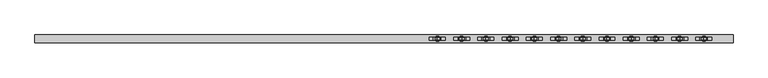
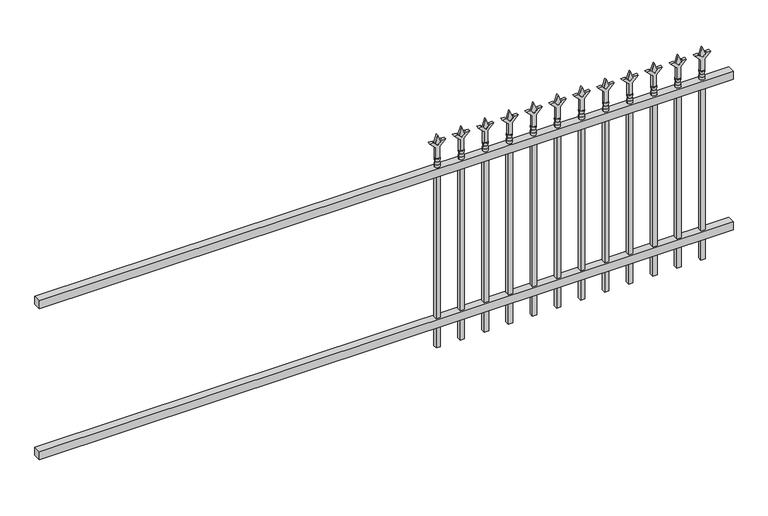
"""IFC4 building model written with IfcOpenShell, lengths in millimetres: railing geometry."""

from ifc_helpers import new_model, si_unit, frame, origin, place, context, project, spatial, polyline, circle_curve, outline, extrude, source, transform, mapped, element, save
from ifc_brep_helpers import plane_surface, cylinder_surface, revolved_surface, advanced_brep


def railing_4641c14b(model_context):
    return source(origin(), model_context, "Body", "SolidModel", [
        extrude(outline(polyline([(-85729.318087, 3004.8804826), (-85729.318087, 3039.8054826), (-82579.718087, 3039.8054826), (-82579.718087, 3004.8804826), (-85729.318087, 3004.8804826)])), frame((0.0, 0.0, 876.3), z_axis=(0.0, 0.0, 1.0), x_axis=(1.0, 0.0, 0.0)), (0.0, 0.0, 1.0), 38.1),
        extrude(outline(polyline([(-85729.318087, 3004.8804826), (-85729.318087, 3039.8054826), (-82579.718087, 3039.8054826), (-82579.718087, 3004.8804826), (-85729.318087, 3004.8804826)])), frame((0.0, 0.0, 152.4), z_axis=(0.0, 0.0, 1.0), x_axis=(1.0, 0.0, 0.0)), (0.0, 0.0, 1.0), 38.1),
        extrude(outline(polyline([(1031.08125, -82808.8472536), (1066.8, -82820.7535036), (1031.08125, -82832.6597536), (1019.175, -82820.7535036), (1031.08125, -82808.8472536)])), frame((0.0, 3017.5804826, 0.0), z_axis=(0.0, 1.0, 0.0), x_axis=(0.0, 0.0, 1.0)), (0.0, 0.0, 1.0), 9.525),
        extrude(outline(polyline([(955.675, -82812.0222536), (1009.9457378, -82812.0222536), (1037.1355122, -82784.8324791), (1037.1355122, -82802.7929914), (1019.175, -82820.7535036), (1037.1355122, -82838.7140159), (1037.1355122, -82856.6745281), (1009.9457378, -82829.4847536), (955.675, -82829.4847536), (955.675, -82812.0222536)])), frame((0.0, 3015.9929826, 0.0), z_axis=(0.0, 1.0, 0.0), x_axis=(0.0, 0.0, 1.0)), (0.0, 0.0, 1.0), 12.7),
        advanced_brep(
        [(-82808.8472536, 3022.3429826, 927.1), (-82832.6597536, 3022.3429826, 927.1), (-82832.6597536, 3022.3429826, 914.4), (-82808.8472536, 3022.3429826, 914.4), (-82811.0525855, 3022.3429826, 939.6070585), (-82830.4544218, 3022.3429826, 939.6070585), (-82808.8472536, 3022.3429826, 955.675), (-82832.6597536, 3022.3429826, 955.675), (-82820.7535036, 3022.3429826, 955.675), (-82820.7535036, 3022.3429826, 914.4)],
        [
            (0, 1, circle_curve(frame((-82820.7535036, 3022.3429826, 927.1), z_axis=(0.0, 0.0, -1.0), x_axis=(-1.0, 0.0, 0.0)), 11.90625)),
            (1, 2),
            (2, 3, circle_curve(frame((-82820.7535036, 3022.3429826, 914.4), z_axis=(0.0, 0.0, 1.0), x_axis=(-1.0, 0.0, 0.0)), 11.90625)),
            (3, 0),
            (1, 0, circle_curve(frame((-82820.7535036, 3022.3429826, 927.1), z_axis=(0.0, 0.0, -1.0), x_axis=(-1.0, 0.0, 0.0)), 11.90625)),
            (3, 2, circle_curve(frame((-82820.7535036, 3022.3429826, 914.4), z_axis=(0.0, 0.0, 1.0), x_axis=(-1.0, 0.0, 0.0)), 11.90625)),
            (4, 5, circle_curve(frame((-82820.7535036, 3022.3429826, 939.6070585), z_axis=(0.0, 0.0, -1.0), x_axis=(-1.0, 0.0, 0.0)), 9.7009181)),
            (5, 1),
            (0, 4),
            (5, 4, circle_curve(frame((-82820.7535036, 3022.3429826, 939.6070585), z_axis=(0.0, 0.0, -1.0), x_axis=(-1.0, 0.0, 0.0)), 9.7009181)),
            (6, 7, circle_curve(frame((-82820.7535036, 3022.3429826, 955.675), z_axis=(0.0, 0.0, -1.0), x_axis=(-1.0, 0.0, 0.0)), 11.90625)),
            (7, 5),
            (4, 6),
            (7, 6, circle_curve(frame((-82820.7535036, 3022.3429826, 955.675), z_axis=(0.0, 0.0, -1.0), x_axis=(-1.0, 0.0, 0.0)), 11.90625)),
            (8, 7),
            (6, 8),
            (2, 9),
            (9, 3),
        ],
        [
            cylinder_surface(frame((-82820.7535036, 3022.3429826, 914.4), z_axis=(0.0, 0.0, 1.0), x_axis=(-1.0, 0.0, 0.0)), 11.90625),
            revolved_surface(polyline([(-82832.6597536, 3022.3429826, 927.1), (-82830.4544218, 3022.3429826, 939.6070585)]), (-82820.7535036, 3022.3429826, 914.4), (0.0, 0.0, 1.0)),
            revolved_surface(polyline([(-82830.4544218, 3022.3429826, 939.6070585), (-82832.6597536, 3022.3429826, 955.675)]), (-82820.7535036, 3022.3429826, 914.4), (0.0, 0.0, 1.0)),
            plane_surface(frame((-82820.7535036, 3022.3429826, 955.675), z_axis=(0.0, 0.0, 1.0), x_axis=(-1.0, 0.0, 0.0))),
            plane_surface(frame((-82820.7535036, 3022.3429826, 914.4), z_axis=(0.0, 0.0, -1.0), x_axis=(-1.0, 0.0, 0.0))),
        ],
        [
            (0, [[1, 2, 3, 4]]),
            (0, [[5, -4, 6, -2]]),
            (1, [[7, 8, -1, 9]]),
            (1, [[10, -9, -5, -8]]),
            (2, [[11, 12, -7, 13]]),
            (2, [[14, -13, -10, -12]]),
            (3, [[15, -11, 16]]),
            (3, [[-16, -14, -15]]),
            (4, [[-3, 17, 18]]),
            (4, [[-6, -18, -17]]),
        ],
    ),
        extrude(outline(polyline([(-82830.2785036, 3031.8679826), (-82811.2285036, 3031.8679826), (-82811.2285036, 3012.8179826), (-82830.2785036, 3012.8179826), (-82830.2785036, 3031.8679826)])), frame((0.0, 0.0, 50.8), z_axis=(0.0, 0.0, 1.0), x_axis=(1.0, 0.0, 0.0)), (0.0, 0.0, 1.0), 863.6),
        extrude(outline(polyline([(1031.08125, -82918.1201703), (1066.8, -82930.0264203), (1031.08125, -82941.9326703), (1019.175, -82930.0264203), (1031.08125, -82918.1201703)])), frame((0.0, 3017.5804826, 0.0), z_axis=(0.0, 1.0, 0.0), x_axis=(0.0, 0.0, 1.0)), (0.0, 0.0, 1.0), 9.525),
        extrude(outline(polyline([(955.675, -82921.2951703), (1009.9457378, -82921.2951703), (1037.1355122, -82894.1053958), (1037.1355122, -82912.0659081), (1019.175, -82930.0264203), (1037.1355122, -82947.9869325), (1037.1355122, -82965.9474448), (1009.9457378, -82938.7576703), (955.675, -82938.7576703), (955.675, -82921.2951703)])), frame((0.0, 3015.9929826, 0.0), z_axis=(0.0, 1.0, 0.0), x_axis=(0.0, 0.0, 1.0)), (0.0, 0.0, 1.0), 12.7),
        advanced_brep(
        [(-82918.1201703, 3022.3429826, 927.1), (-82941.9326703, 3022.3429826, 927.1), (-82941.9326703, 3022.3429826, 914.4), (-82918.1201703, 3022.3429826, 914.4), (-82920.3255022, 3022.3429826, 939.6070585), (-82939.7273384, 3022.3429826, 939.6070585), (-82918.1201703, 3022.3429826, 955.675), (-82941.9326703, 3022.3429826, 955.675), (-82930.0264203, 3022.3429826, 955.675), (-82930.0264203, 3022.3429826, 914.4)],
        [
            (0, 1, circle_curve(frame((-82930.0264203, 3022.3429826, 927.1), z_axis=(0.0, 0.0, -1.0), x_axis=(-1.0, 0.0, 0.0)), 11.90625)),
            (1, 2),
            (2, 3, circle_curve(frame((-82930.0264203, 3022.3429826, 914.4), z_axis=(0.0, 0.0, 1.0), x_axis=(-1.0, 0.0, 0.0)), 11.90625)),
            (3, 0),
            (1, 0, circle_curve(frame((-82930.0264203, 3022.3429826, 927.1), z_axis=(0.0, 0.0, -1.0), x_axis=(-1.0, 0.0, 0.0)), 11.90625)),
            (3, 2, circle_curve(frame((-82930.0264203, 3022.3429826, 914.4), z_axis=(0.0, 0.0, 1.0), x_axis=(-1.0, 0.0, 0.0)), 11.90625)),
            (4, 5, circle_curve(frame((-82930.0264203, 3022.3429826, 939.6070585), z_axis=(0.0, 0.0, -1.0), x_axis=(-1.0, 0.0, 0.0)), 9.7009181)),
            (5, 1),
            (0, 4),
            (5, 4, circle_curve(frame((-82930.0264203, 3022.3429826, 939.6070585), z_axis=(0.0, 0.0, -1.0), x_axis=(-1.0, 0.0, 0.0)), 9.7009181)),
            (6, 7, circle_curve(frame((-82930.0264203, 3022.3429826, 955.675), z_axis=(0.0, 0.0, -1.0), x_axis=(-1.0, 0.0, 0.0)), 11.90625)),
            (7, 5),
            (4, 6),
            (7, 6, circle_curve(frame((-82930.0264203, 3022.3429826, 955.675), z_axis=(0.0, 0.0, -1.0), x_axis=(-1.0, 0.0, 0.0)), 11.90625)),
            (8, 7),
            (6, 8),
            (2, 9),
            (9, 3),
        ],
        [
            cylinder_surface(frame((-82930.0264203, 3022.3429826, 914.4), z_axis=(0.0, 0.0, 1.0), x_axis=(-1.0, 0.0, 0.0)), 11.90625),
            revolved_surface(polyline([(-82941.9326703, 3022.3429826, 927.1), (-82939.7273384, 3022.3429826, 939.6070585)]), (-82930.0264203, 3022.3429826, 914.4), (0.0, 0.0, 1.0)),
            revolved_surface(polyline([(-82939.7273384, 3022.3429826, 939.6070585), (-82941.9326703, 3022.3429826, 955.675)]), (-82930.0264203, 3022.3429826, 914.4), (0.0, 0.0, 1.0)),
            plane_surface(frame((-82930.0264203, 3022.3429826, 955.675), z_axis=(0.0, 0.0, 1.0), x_axis=(-1.0, 0.0, 0.0))),
            plane_surface(frame((-82930.0264203, 3022.3429826, 914.4), z_axis=(0.0, 0.0, -1.0), x_axis=(-1.0, 0.0, 0.0))),
        ],
        [
            (0, [[1, 2, 3, 4]]),
            (0, [[5, -4, 6, -2]]),
            (1, [[7, 8, -1, 9]]),
            (1, [[10, -9, -5, -8]]),
            (2, [[11, 12, -7, 13]]),
            (2, [[14, -13, -10, -12]]),
            (3, [[15, -11, 16]]),
            (3, [[-16, -14, -15]]),
            (4, [[-3, 17, 18]]),
            (4, [[-6, -18, -17]]),
        ],
    ),
        extrude(outline(polyline([(-82939.5514203, 3031.8679826), (-82920.5014203, 3031.8679826), (-82920.5014203, 3012.8179826), (-82939.5514203, 3012.8179826), (-82939.5514203, 3031.8679826)])), frame((0.0, 0.0, 50.8), z_axis=(0.0, 0.0, 1.0), x_axis=(1.0, 0.0, 0.0)), (0.0, 0.0, 1.0), 863.6),
        extrude(outline(polyline([(1031.08125, -83027.393087), (1066.8, -83039.299337), (1031.08125, -83051.205587), (1019.175, -83039.299337), (1031.08125, -83027.393087)])), frame((0.0, 3017.5804826, 0.0), z_axis=(0.0, 1.0, 0.0), x_axis=(0.0, 0.0, 1.0)), (0.0, 0.0, 1.0), 9.525),
        extrude(outline(polyline([(955.675, -83030.568087), (1009.9457378, -83030.568087), (1037.1355122, -83003.3783125), (1037.1355122, -83021.3388247), (1019.175, -83039.299337), (1037.1355122, -83057.2598492), (1037.1355122, -83075.2203614), (1009.9457378, -83048.030587), (955.675, -83048.030587), (955.675, -83030.568087)])), frame((0.0, 3015.9929826, 0.0), z_axis=(0.0, 1.0, 0.0), x_axis=(0.0, 0.0, 1.0)), (0.0, 0.0, 1.0), 12.7),
        advanced_brep(
        [(-83027.393087, 3022.3429826, 927.1), (-83051.205587, 3022.3429826, 927.1), (-83051.205587, 3022.3429826, 914.4), (-83027.393087, 3022.3429826, 914.4), (-83029.5984188, 3022.3429826, 939.6070585), (-83049.0002551, 3022.3429826, 939.6070585), (-83027.393087, 3022.3429826, 955.675), (-83051.205587, 3022.3429826, 955.675), (-83039.299337, 3022.3429826, 955.675), (-83039.299337, 3022.3429826, 914.4)],
        [
            (0, 1, circle_curve(frame((-83039.299337, 3022.3429826, 927.1), z_axis=(0.0, 0.0, -1.0), x_axis=(-1.0, 0.0, 0.0)), 11.90625)),
            (1, 2),
            (2, 3, circle_curve(frame((-83039.299337, 3022.3429826, 914.4), z_axis=(0.0, 0.0, 1.0), x_axis=(-1.0, 0.0, 0.0)), 11.90625)),
            (3, 0),
            (1, 0, circle_curve(frame((-83039.299337, 3022.3429826, 927.1), z_axis=(0.0, 0.0, -1.0), x_axis=(-1.0, 0.0, 0.0)), 11.90625)),
            (3, 2, circle_curve(frame((-83039.299337, 3022.3429826, 914.4), z_axis=(0.0, 0.0, 1.0), x_axis=(-1.0, 0.0, 0.0)), 11.90625)),
            (4, 5, circle_curve(frame((-83039.299337, 3022.3429826, 939.6070585), z_axis=(0.0, 0.0, -1.0), x_axis=(-1.0, 0.0, 0.0)), 9.7009181)),
            (5, 1),
            (0, 4),
            (5, 4, circle_curve(frame((-83039.299337, 3022.3429826, 939.6070585), z_axis=(0.0, 0.0, -1.0), x_axis=(-1.0, 0.0, 0.0)), 9.7009181)),
            (6, 7, circle_curve(frame((-83039.299337, 3022.3429826, 955.675), z_axis=(0.0, 0.0, -1.0), x_axis=(-1.0, 0.0, 0.0)), 11.90625)),
            (7, 5),
            (4, 6),
            (7, 6, circle_curve(frame((-83039.299337, 3022.3429826, 955.675), z_axis=(0.0, 0.0, -1.0), x_axis=(-1.0, 0.0, 0.0)), 11.90625)),
            (8, 7),
            (6, 8),
            (2, 9),
            (9, 3),
        ],
        [
            cylinder_surface(frame((-83039.299337, 3022.3429826, 914.4), z_axis=(0.0, 0.0, 1.0), x_axis=(-1.0, 0.0, 0.0)), 11.90625),
            revolved_surface(polyline([(-83051.205587, 3022.3429826, 927.1), (-83049.0002551, 3022.3429826, 939.6070585)]), (-83039.299337, 3022.3429826, 914.4), (0.0, 0.0, 1.0)),
            revolved_surface(polyline([(-83049.0002551, 3022.3429826, 939.6070585), (-83051.205587, 3022.3429826, 955.675)]), (-83039.299337, 3022.3429826, 914.4), (0.0, 0.0, 1.0)),
            plane_surface(frame((-83039.299337, 3022.3429826, 955.675), z_axis=(0.0, 0.0, 1.0), x_axis=(-1.0, 0.0, 0.0))),
            plane_surface(frame((-83039.299337, 3022.3429826, 914.4), z_axis=(0.0, 0.0, -1.0), x_axis=(-1.0, 0.0, 0.0))),
        ],
        [
            (0, [[1, 2, 3, 4]]),
            (0, [[5, -4, 6, -2]]),
            (1, [[7, 8, -1, 9]]),
            (1, [[10, -9, -5, -8]]),
            (2, [[11, 12, -7, 13]]),
            (2, [[14, -13, -10, -12]]),
            (3, [[15, -11, 16]]),
            (3, [[-16, -14, -15]]),
            (4, [[-3, 17, 18]]),
            (4, [[-6, -18, -17]]),
        ],
    ),
        extrude(outline(polyline([(-83048.824337, 3031.8679826), (-83029.774337, 3031.8679826), (-83029.774337, 3012.8179826), (-83048.824337, 3012.8179826), (-83048.824337, 3031.8679826)])), frame((0.0, 0.0, 50.8), z_axis=(0.0, 0.0, 1.0), x_axis=(1.0, 0.0, 0.0)), (0.0, 0.0, 1.0), 863.6),
        extrude(outline(polyline([(1031.08125, -83136.6660036), (1066.8, -83148.5722536), (1031.08125, -83160.4785036), (1019.175, -83148.5722536), (1031.08125, -83136.6660036)])), frame((0.0, 3017.5804826, 0.0), z_axis=(0.0, 1.0, 0.0), x_axis=(0.0, 0.0, 1.0)), (0.0, 0.0, 1.0), 9.525),
        extrude(outline(polyline([(955.675, -83139.8410036), (1009.9457378, -83139.8410036), (1037.1355122, -83112.6512291), (1037.1355122, -83130.6117414), (1019.175, -83148.5722536), (1037.1355122, -83166.5327659), (1037.1355122, -83184.4932781), (1009.9457378, -83157.3035036), (955.675, -83157.3035036), (955.675, -83139.8410036)])), frame((0.0, 3015.9929826, 0.0), z_axis=(0.0, 1.0, 0.0), x_axis=(0.0, 0.0, 1.0)), (0.0, 0.0, 1.0), 12.7),
        advanced_brep(
        [(-83136.6660036, 3022.3429826, 927.1), (-83160.4785036, 3022.3429826, 927.1), (-83160.4785036, 3022.3429826, 914.4), (-83136.6660036, 3022.3429826, 914.4), (-83138.8713355, 3022.3429826, 939.6070585), (-83158.2731718, 3022.3429826, 939.6070585), (-83136.6660036, 3022.3429826, 955.675), (-83160.4785036, 3022.3429826, 955.675), (-83148.5722536, 3022.3429826, 955.675), (-83148.5722536, 3022.3429826, 914.4)],
        [
            (0, 1, circle_curve(frame((-83148.5722536, 3022.3429826, 927.1), z_axis=(0.0, 0.0, -1.0), x_axis=(-1.0, 0.0, 0.0)), 11.90625)),
            (1, 2),
            (2, 3, circle_curve(frame((-83148.5722536, 3022.3429826, 914.4), z_axis=(0.0, 0.0, 1.0), x_axis=(-1.0, 0.0, 0.0)), 11.90625)),
            (3, 0),
            (1, 0, circle_curve(frame((-83148.5722536, 3022.3429826, 927.1), z_axis=(0.0, 0.0, -1.0), x_axis=(-1.0, 0.0, 0.0)), 11.90625)),
            (3, 2, circle_curve(frame((-83148.5722536, 3022.3429826, 914.4), z_axis=(0.0, 0.0, 1.0), x_axis=(-1.0, 0.0, 0.0)), 11.90625)),
            (4, 5, circle_curve(frame((-83148.5722536, 3022.3429826, 939.6070585), z_axis=(0.0, 0.0, -1.0), x_axis=(-1.0, 0.0, 0.0)), 9.7009181)),
            (5, 1),
            (0, 4),
            (5, 4, circle_curve(frame((-83148.5722536, 3022.3429826, 939.6070585), z_axis=(0.0, 0.0, -1.0), x_axis=(-1.0, 0.0, 0.0)), 9.7009181)),
            (6, 7, circle_curve(frame((-83148.5722536, 3022.3429826, 955.675), z_axis=(0.0, 0.0, -1.0), x_axis=(-1.0, 0.0, 0.0)), 11.90625)),
            (7, 5),
            (4, 6),
            (7, 6, circle_curve(frame((-83148.5722536, 3022.3429826, 955.675), z_axis=(0.0, 0.0, -1.0), x_axis=(-1.0, 0.0, 0.0)), 11.90625)),
            (8, 7),
            (6, 8),
            (2, 9),
            (9, 3),
        ],
        [
            cylinder_surface(frame((-83148.5722536, 3022.3429826, 914.4), z_axis=(0.0, 0.0, 1.0), x_axis=(-1.0, 0.0, 0.0)), 11.90625),
            revolved_surface(polyline([(-83160.4785036, 3022.3429826, 927.1), (-83158.2731718, 3022.3429826, 939.6070585)]), (-83148.5722536, 3022.3429826, 914.4), (0.0, 0.0, 1.0)),
            revolved_surface(polyline([(-83158.2731718, 3022.3429826, 939.6070585), (-83160.4785036, 3022.3429826, 955.675)]), (-83148.5722536, 3022.3429826, 914.4), (0.0, 0.0, 1.0)),
            plane_surface(frame((-83148.5722536, 3022.3429826, 955.675), z_axis=(0.0, 0.0, 1.0), x_axis=(-1.0, 0.0, 0.0))),
            plane_surface(frame((-83148.5722536, 3022.3429826, 914.4), z_axis=(0.0, 0.0, -1.0), x_axis=(-1.0, 0.0, 0.0))),
        ],
        [
            (0, [[1, 2, 3, 4]]),
            (0, [[5, -4, 6, -2]]),
            (1, [[7, 8, -1, 9]]),
            (1, [[10, -9, -5, -8]]),
            (2, [[11, 12, -7, 13]]),
            (2, [[14, -13, -10, -12]]),
            (3, [[15, -11, 16]]),
            (3, [[-16, -14, -15]]),
            (4, [[-3, 17, 18]]),
            (4, [[-6, -18, -17]]),
        ],
    ),
        extrude(outline(polyline([(-83158.0972536, 3031.8679826), (-83139.0472536, 3031.8679826), (-83139.0472536, 3012.8179826), (-83158.0972536, 3012.8179826), (-83158.0972536, 3031.8679826)])), frame((0.0, 0.0, 50.8), z_axis=(0.0, 0.0, 1.0), x_axis=(1.0, 0.0, 0.0)), (0.0, 0.0, 1.0), 863.6),
        extrude(outline(polyline([(1031.08125, -83245.9389203), (1066.8, -83257.8451703), (1031.08125, -83269.7514203), (1019.175, -83257.8451703), (1031.08125, -83245.9389203)])), frame((0.0, 3017.5804826, 0.0), z_axis=(0.0, 1.0, 0.0), x_axis=(0.0, 0.0, 1.0)), (0.0, 0.0, 1.0), 9.525),
        extrude(outline(polyline([(955.675, -83249.1139203), (1009.9457378, -83249.1139203), (1037.1355122, -83221.9241458), (1037.1355122, -83239.8846581), (1019.175, -83257.8451703), (1037.1355122, -83275.8056825), (1037.1355122, -83293.7661948), (1009.9457378, -83266.5764203), (955.675, -83266.5764203), (955.675, -83249.1139203)])), frame((0.0, 3015.9929826, 0.0), z_axis=(0.0, 1.0, 0.0), x_axis=(0.0, 0.0, 1.0)), (0.0, 0.0, 1.0), 12.7),
        advanced_brep(
        [(-83245.9389203, 3022.3429826, 927.1), (-83269.7514203, 3022.3429826, 927.1), (-83269.7514203, 3022.3429826, 914.4), (-83245.9389203, 3022.3429826, 914.4), (-83248.1442522, 3022.3429826, 939.6070585), (-83267.5460884, 3022.3429826, 939.6070585), (-83245.9389203, 3022.3429826, 955.675), (-83269.7514203, 3022.3429826, 955.675), (-83257.8451703, 3022.3429826, 955.675), (-83257.8451703, 3022.3429826, 914.4)],
        [
            (0, 1, circle_curve(frame((-83257.8451703, 3022.3429826, 927.1), z_axis=(0.0, 0.0, -1.0), x_axis=(-1.0, 0.0, 0.0)), 11.90625)),
            (1, 2),
            (2, 3, circle_curve(frame((-83257.8451703, 3022.3429826, 914.4), z_axis=(0.0, 0.0, 1.0), x_axis=(-1.0, 0.0, 0.0)), 11.90625)),
            (3, 0),
            (1, 0, circle_curve(frame((-83257.8451703, 3022.3429826, 927.1), z_axis=(0.0, 0.0, -1.0), x_axis=(-1.0, 0.0, 0.0)), 11.90625)),
            (3, 2, circle_curve(frame((-83257.8451703, 3022.3429826, 914.4), z_axis=(0.0, 0.0, 1.0), x_axis=(-1.0, 0.0, 0.0)), 11.90625)),
            (4, 5, circle_curve(frame((-83257.8451703, 3022.3429826, 939.6070585), z_axis=(0.0, 0.0, -1.0), x_axis=(-1.0, 0.0, 0.0)), 9.7009181)),
            (5, 1),
            (0, 4),
            (5, 4, circle_curve(frame((-83257.8451703, 3022.3429826, 939.6070585), z_axis=(0.0, 0.0, -1.0), x_axis=(-1.0, 0.0, 0.0)), 9.7009181)),
            (6, 7, circle_curve(frame((-83257.8451703, 3022.3429826, 955.675), z_axis=(0.0, 0.0, -1.0), x_axis=(-1.0, 0.0, 0.0)), 11.90625)),
            (7, 5),
            (4, 6),
            (7, 6, circle_curve(frame((-83257.8451703, 3022.3429826, 955.675), z_axis=(0.0, 0.0, -1.0), x_axis=(-1.0, 0.0, 0.0)), 11.90625)),
            (8, 7),
            (6, 8),
            (2, 9),
            (9, 3),
        ],
        [
            cylinder_surface(frame((-83257.8451703, 3022.3429826, 914.4), z_axis=(0.0, 0.0, 1.0), x_axis=(-1.0, 0.0, 0.0)), 11.90625),
            revolved_surface(polyline([(-83269.7514203, 3022.3429826, 927.1), (-83267.5460884, 3022.3429826, 939.6070585)]), (-83257.8451703, 3022.3429826, 914.4), (0.0, 0.0, 1.0)),
            revolved_surface(polyline([(-83267.5460884, 3022.3429826, 939.6070585), (-83269.7514203, 3022.3429826, 955.675)]), (-83257.8451703, 3022.3429826, 914.4), (0.0, 0.0, 1.0)),
            plane_surface(frame((-83257.8451703, 3022.3429826, 955.675), z_axis=(0.0, 0.0, 1.0), x_axis=(-1.0, 0.0, 0.0))),
            plane_surface(frame((-83257.8451703, 3022.3429826, 914.4), z_axis=(0.0, 0.0, -1.0), x_axis=(-1.0, 0.0, 0.0))),
        ],
        [
            (0, [[1, 2, 3, 4]]),
            (0, [[5, -4, 6, -2]]),
            (1, [[7, 8, -1, 9]]),
            (1, [[10, -9, -5, -8]]),
            (2, [[11, 12, -7, 13]]),
            (2, [[14, -13, -10, -12]]),
            (3, [[15, -11, 16]]),
            (3, [[-16, -14, -15]]),
            (4, [[-3, 17, 18]]),
            (4, [[-6, -18, -17]]),
        ],
    ),
        extrude(outline(polyline([(-83267.3701703, 3031.8679826), (-83248.3201703, 3031.8679826), (-83248.3201703, 3012.8179826), (-83267.3701703, 3012.8179826), (-83267.3701703, 3031.8679826)])), frame((0.0, 0.0, 50.8), z_axis=(0.0, 0.0, 1.0), x_axis=(1.0, 0.0, 0.0)), (0.0, 0.0, 1.0), 863.6),
        extrude(outline(polyline([(1031.08125, -83355.211837), (1066.8, -83367.118087), (1031.08125, -83379.024337), (1019.175, -83367.118087), (1031.08125, -83355.211837)])), frame((0.0, 3017.5804826, 0.0), z_axis=(0.0, 1.0, 0.0), x_axis=(0.0, 0.0, 1.0)), (0.0, 0.0, 1.0), 9.525),
        extrude(outline(polyline([(955.675, -83358.386837), (1009.9457378, -83358.386837), (1037.1355122, -83331.1970625), (1037.1355122, -83349.1575747), (1019.175, -83367.118087), (1037.1355122, -83385.0785992), (1037.1355122, -83403.0391114), (1009.9457378, -83375.849337), (955.675, -83375.849337), (955.675, -83358.386837)])), frame((0.0, 3015.9929826, 0.0), z_axis=(0.0, 1.0, 0.0), x_axis=(0.0, 0.0, 1.0)), (0.0, 0.0, 1.0), 12.7),
        advanced_brep(
        [(-83355.211837, 3022.3429826, 927.1), (-83379.024337, 3022.3429826, 927.1), (-83379.024337, 3022.3429826, 914.4), (-83355.211837, 3022.3429826, 914.4), (-83357.4171688, 3022.3429826, 939.6070585), (-83376.8190051, 3022.3429826, 939.6070585), (-83355.211837, 3022.3429826, 955.675), (-83379.024337, 3022.3429826, 955.675), (-83367.118087, 3022.3429826, 955.675), (-83367.118087, 3022.3429826, 914.4)],
        [
            (0, 1, circle_curve(frame((-83367.118087, 3022.3429826, 927.1), z_axis=(0.0, 0.0, -1.0), x_axis=(-1.0, 0.0, 0.0)), 11.90625)),
            (1, 2),
            (2, 3, circle_curve(frame((-83367.118087, 3022.3429826, 914.4), z_axis=(0.0, 0.0, 1.0), x_axis=(-1.0, 0.0, 0.0)), 11.90625)),
            (3, 0),
            (1, 0, circle_curve(frame((-83367.118087, 3022.3429826, 927.1), z_axis=(0.0, 0.0, -1.0), x_axis=(-1.0, 0.0, 0.0)), 11.90625)),
            (3, 2, circle_curve(frame((-83367.118087, 3022.3429826, 914.4), z_axis=(0.0, 0.0, 1.0), x_axis=(-1.0, 0.0, 0.0)), 11.90625)),
            (4, 5, circle_curve(frame((-83367.118087, 3022.3429826, 939.6070585), z_axis=(0.0, 0.0, -1.0), x_axis=(-1.0, 0.0, 0.0)), 9.7009181)),
            (5, 1),
            (0, 4),
            (5, 4, circle_curve(frame((-83367.118087, 3022.3429826, 939.6070585), z_axis=(0.0, 0.0, -1.0), x_axis=(-1.0, 0.0, 0.0)), 9.7009181)),
            (6, 7, circle_curve(frame((-83367.118087, 3022.3429826, 955.675), z_axis=(0.0, 0.0, -1.0), x_axis=(-1.0, 0.0, 0.0)), 11.90625)),
            (7, 5),
            (4, 6),
            (7, 6, circle_curve(frame((-83367.118087, 3022.3429826, 955.675), z_axis=(0.0, 0.0, -1.0), x_axis=(-1.0, 0.0, 0.0)), 11.90625)),
            (8, 7),
            (6, 8),
            (2, 9),
            (9, 3),
        ],
        [
            cylinder_surface(frame((-83367.118087, 3022.3429826, 914.4), z_axis=(0.0, 0.0, 1.0), x_axis=(-1.0, 0.0, 0.0)), 11.90625),
            revolved_surface(polyline([(-83379.024337, 3022.3429826, 927.1), (-83376.8190051, 3022.3429826, 939.6070585)]), (-83367.118087, 3022.3429826, 914.4), (0.0, 0.0, 1.0)),
            revolved_surface(polyline([(-83376.8190051, 3022.3429826, 939.6070585), (-83379.024337, 3022.3429826, 955.675)]), (-83367.118087, 3022.3429826, 914.4), (0.0, 0.0, 1.0)),
            plane_surface(frame((-83367.118087, 3022.3429826, 955.675), z_axis=(0.0, 0.0, 1.0), x_axis=(-1.0, 0.0, 0.0))),
            plane_surface(frame((-83367.118087, 3022.3429826, 914.4), z_axis=(0.0, 0.0, -1.0), x_axis=(-1.0, 0.0, 0.0))),
        ],
        [
            (0, [[1, 2, 3, 4]]),
            (0, [[5, -4, 6, -2]]),
            (1, [[7, 8, -1, 9]]),
            (1, [[10, -9, -5, -8]]),
            (2, [[11, 12, -7, 13]]),
            (2, [[14, -13, -10, -12]]),
            (3, [[15, -11, 16]]),
            (3, [[-16, -14, -15]]),
            (4, [[-3, 17, 18]]),
            (4, [[-6, -18, -17]]),
        ],
    ),
        extrude(outline(polyline([(-83376.643087, 3031.8679826), (-83357.593087, 3031.8679826), (-83357.593087, 3012.8179826), (-83376.643087, 3012.8179826), (-83376.643087, 3031.8679826)])), frame((0.0, 0.0, 50.8), z_axis=(0.0, 0.0, 1.0), x_axis=(1.0, 0.0, 0.0)), (0.0, 0.0, 1.0), 863.6),
        extrude(outline(polyline([(1031.08125, -83464.4847536), (1066.8, -83476.3910036), (1031.08125, -83488.2972536), (1019.175, -83476.3910036), (1031.08125, -83464.4847536)])), frame((0.0, 3017.5804826, 0.0), z_axis=(0.0, 1.0, 0.0), x_axis=(0.0, 0.0, 1.0)), (0.0, 0.0, 1.0), 9.525),
        extrude(outline(polyline([(955.675, -83467.6597536), (1009.9457378, -83467.6597536), (1037.1355122, -83440.4699791), (1037.1355122, -83458.4304914), (1019.175, -83476.3910036), (1037.1355122, -83494.3515159), (1037.1355122, -83512.3120281), (1009.9457378, -83485.1222536), (955.675, -83485.1222536), (955.675, -83467.6597536)])), frame((0.0, 3015.9929826, 0.0), z_axis=(0.0, 1.0, 0.0), x_axis=(0.0, 0.0, 1.0)), (0.0, 0.0, 1.0), 12.7),
        advanced_brep(
        [(-83464.4847536, 3022.3429826, 927.1), (-83488.2972536, 3022.3429826, 927.1), (-83488.2972536, 3022.3429826, 914.4), (-83464.4847536, 3022.3429826, 914.4), (-83466.6900855, 3022.3429826, 939.6070585), (-83486.0919218, 3022.3429826, 939.6070585), (-83464.4847536, 3022.3429826, 955.675), (-83488.2972536, 3022.3429826, 955.675), (-83476.3910036, 3022.3429826, 955.675), (-83476.3910036, 3022.3429826, 914.4)],
        [
            (0, 1, circle_curve(frame((-83476.3910036, 3022.3429826, 927.1), z_axis=(0.0, 0.0, -1.0), x_axis=(-1.0, 0.0, 0.0)), 11.90625)),
            (1, 2),
            (2, 3, circle_curve(frame((-83476.3910036, 3022.3429826, 914.4), z_axis=(0.0, 0.0, 1.0), x_axis=(-1.0, 0.0, 0.0)), 11.90625)),
            (3, 0),
            (1, 0, circle_curve(frame((-83476.3910036, 3022.3429826, 927.1), z_axis=(0.0, 0.0, -1.0), x_axis=(-1.0, 0.0, 0.0)), 11.90625)),
            (3, 2, circle_curve(frame((-83476.3910036, 3022.3429826, 914.4), z_axis=(0.0, 0.0, 1.0), x_axis=(-1.0, 0.0, 0.0)), 11.90625)),
            (4, 5, circle_curve(frame((-83476.3910036, 3022.3429826, 939.6070585), z_axis=(0.0, 0.0, -1.0), x_axis=(-1.0, 0.0, 0.0)), 9.7009181)),
            (5, 1),
            (0, 4),
            (5, 4, circle_curve(frame((-83476.3910036, 3022.3429826, 939.6070585), z_axis=(0.0, 0.0, -1.0), x_axis=(-1.0, 0.0, 0.0)), 9.7009181)),
            (6, 7, circle_curve(frame((-83476.3910036, 3022.3429826, 955.675), z_axis=(0.0, 0.0, -1.0), x_axis=(-1.0, 0.0, 0.0)), 11.90625)),
            (7, 5),
            (4, 6),
            (7, 6, circle_curve(frame((-83476.3910036, 3022.3429826, 955.675), z_axis=(0.0, 0.0, -1.0), x_axis=(-1.0, 0.0, 0.0)), 11.90625)),
            (8, 7),
            (6, 8),
            (2, 9),
            (9, 3),
        ],
        [
            cylinder_surface(frame((-83476.3910036, 3022.3429826, 914.4), z_axis=(0.0, 0.0, 1.0), x_axis=(-1.0, 0.0, 0.0)), 11.90625),
            revolved_surface(polyline([(-83488.2972536, 3022.3429826, 927.1), (-83486.0919218, 3022.3429826, 939.6070585)]), (-83476.3910036, 3022.3429826, 914.4), (0.0, 0.0, 1.0)),
            revolved_surface(polyline([(-83486.0919218, 3022.3429826, 939.6070585), (-83488.2972536, 3022.3429826, 955.675)]), (-83476.3910036, 3022.3429826, 914.4), (0.0, 0.0, 1.0)),
            plane_surface(frame((-83476.3910036, 3022.3429826, 955.675), z_axis=(0.0, 0.0, 1.0), x_axis=(-1.0, 0.0, 0.0))),
            plane_surface(frame((-83476.3910036, 3022.3429826, 914.4), z_axis=(0.0, 0.0, -1.0), x_axis=(-1.0, 0.0, 0.0))),
        ],
        [
            (0, [[1, 2, 3, 4]]),
            (0, [[5, -4, 6, -2]]),
            (1, [[7, 8, -1, 9]]),
            (1, [[10, -9, -5, -8]]),
            (2, [[11, 12, -7, 13]]),
            (2, [[14, -13, -10, -12]]),
            (3, [[15, -11, 16]]),
            (3, [[-16, -14, -15]]),
            (4, [[-3, 17, 18]]),
            (4, [[-6, -18, -17]]),
        ],
    ),
        extrude(outline(polyline([(-83485.9160036, 3031.8679826), (-83466.8660036, 3031.8679826), (-83466.8660036, 3012.8179826), (-83485.9160036, 3012.8179826), (-83485.9160036, 3031.8679826)])), frame((0.0, 0.0, 50.8), z_axis=(0.0, 0.0, 1.0), x_axis=(1.0, 0.0, 0.0)), (0.0, 0.0, 1.0), 863.6),
        extrude(outline(polyline([(1031.08125, -83573.7576703), (1066.8, -83585.6639203), (1031.08125, -83597.5701703), (1019.175, -83585.6639203), (1031.08125, -83573.7576703)])), frame((0.0, 3017.5804826, 0.0), z_axis=(0.0, 1.0, 0.0), x_axis=(0.0, 0.0, 1.0)), (0.0, 0.0, 1.0), 9.525),
        extrude(outline(polyline([(955.675, -83576.9326703), (1009.9457378, -83576.9326703), (1037.1355122, -83549.7428958), (1037.1355122, -83567.7034081), (1019.175, -83585.6639203), (1037.1355122, -83603.6244325), (1037.1355122, -83621.5849448), (1009.9457378, -83594.3951703), (955.675, -83594.3951703), (955.675, -83576.9326703)])), frame((0.0, 3015.9929826, 0.0), z_axis=(0.0, 1.0, 0.0), x_axis=(0.0, 0.0, 1.0)), (0.0, 0.0, 1.0), 12.7),
        advanced_brep(
        [(-83573.7576703, 3022.3429826, 927.1), (-83597.5701703, 3022.3429826, 927.1), (-83597.5701703, 3022.3429826, 914.4), (-83573.7576703, 3022.3429826, 914.4), (-83575.9630022, 3022.3429826, 939.6070585), (-83595.3648384, 3022.3429826, 939.6070585), (-83573.7576703, 3022.3429826, 955.675), (-83597.5701703, 3022.3429826, 955.675), (-83585.6639203, 3022.3429826, 955.675), (-83585.6639203, 3022.3429826, 914.4)],
        [
            (0, 1, circle_curve(frame((-83585.6639203, 3022.3429826, 927.1), z_axis=(0.0, 0.0, -1.0), x_axis=(-1.0, 0.0, 0.0)), 11.90625)),
            (1, 2),
            (2, 3, circle_curve(frame((-83585.6639203, 3022.3429826, 914.4), z_axis=(0.0, 0.0, 1.0), x_axis=(-1.0, 0.0, 0.0)), 11.90625)),
            (3, 0),
            (1, 0, circle_curve(frame((-83585.6639203, 3022.3429826, 927.1), z_axis=(0.0, 0.0, -1.0), x_axis=(-1.0, 0.0, 0.0)), 11.90625)),
            (3, 2, circle_curve(frame((-83585.6639203, 3022.3429826, 914.4), z_axis=(0.0, 0.0, 1.0), x_axis=(-1.0, 0.0, 0.0)), 11.90625)),
            (4, 5, circle_curve(frame((-83585.6639203, 3022.3429826, 939.6070585), z_axis=(0.0, 0.0, -1.0), x_axis=(-1.0, 0.0, 0.0)), 9.7009181)),
            (5, 1),
            (0, 4),
            (5, 4, circle_curve(frame((-83585.6639203, 3022.3429826, 939.6070585), z_axis=(0.0, 0.0, -1.0), x_axis=(-1.0, 0.0, 0.0)), 9.7009181)),
            (6, 7, circle_curve(frame((-83585.6639203, 3022.3429826, 955.675), z_axis=(0.0, 0.0, -1.0), x_axis=(-1.0, 0.0, 0.0)), 11.90625)),
            (7, 5),
            (4, 6),
            (7, 6, circle_curve(frame((-83585.6639203, 3022.3429826, 955.675), z_axis=(0.0, 0.0, -1.0), x_axis=(-1.0, 0.0, 0.0)), 11.90625)),
            (8, 7),
            (6, 8),
            (2, 9),
            (9, 3),
        ],
        [
            cylinder_surface(frame((-83585.6639203, 3022.3429826, 914.4), z_axis=(0.0, 0.0, 1.0), x_axis=(-1.0, 0.0, 0.0)), 11.90625),
            revolved_surface(polyline([(-83597.5701703, 3022.3429826, 927.1), (-83595.3648384, 3022.3429826, 939.6070585)]), (-83585.6639203, 3022.3429826, 914.4), (0.0, 0.0, 1.0)),
            revolved_surface(polyline([(-83595.3648384, 3022.3429826, 939.6070585), (-83597.5701703, 3022.3429826, 955.675)]), (-83585.6639203, 3022.3429826, 914.4), (0.0, 0.0, 1.0)),
            plane_surface(frame((-83585.6639203, 3022.3429826, 955.675), z_axis=(0.0, 0.0, 1.0), x_axis=(-1.0, 0.0, 0.0))),
            plane_surface(frame((-83585.6639203, 3022.3429826, 914.4), z_axis=(0.0, 0.0, -1.0), x_axis=(-1.0, 0.0, 0.0))),
        ],
        [
            (0, [[1, 2, 3, 4]]),
            (0, [[5, -4, 6, -2]]),
            (1, [[7, 8, -1, 9]]),
            (1, [[10, -9, -5, -8]]),
            (2, [[11, 12, -7, 13]]),
            (2, [[14, -13, -10, -12]]),
            (3, [[15, -11, 16]]),
            (3, [[-16, -14, -15]]),
            (4, [[-3, 17, 18]]),
            (4, [[-6, -18, -17]]),
        ],
    ),
        extrude(outline(polyline([(-83595.1889203, 3031.8679826), (-83576.1389203, 3031.8679826), (-83576.1389203, 3012.8179826), (-83595.1889203, 3012.8179826), (-83595.1889203, 3031.8679826)])), frame((0.0, 0.0, 50.8), z_axis=(0.0, 0.0, 1.0), x_axis=(1.0, 0.0, 0.0)), (0.0, 0.0, 1.0), 863.6),
        extrude(outline(polyline([(1031.08125, -83683.030587), (1066.8, -83694.936837), (1031.08125, -83706.843087), (1019.175, -83694.936837), (1031.08125, -83683.030587)])), frame((0.0, 3017.5804826, 0.0), z_axis=(0.0, 1.0, 0.0), x_axis=(0.0, 0.0, 1.0)), (0.0, 0.0, 1.0), 9.525),
        extrude(outline(polyline([(955.675, -83686.205587), (1009.9457378, -83686.205587), (1037.1355122, -83659.0158125), (1037.1355122, -83676.9763247), (1019.175, -83694.936837), (1037.1355122, -83712.8973492), (1037.1355122, -83730.8578614), (1009.9457378, -83703.668087), (955.675, -83703.668087), (955.675, -83686.205587)])), frame((0.0, 3015.9929826, 0.0), z_axis=(0.0, 1.0, 0.0), x_axis=(0.0, 0.0, 1.0)), (0.0, 0.0, 1.0), 12.7),
        advanced_brep(
        [(-83683.030587, 3022.3429826, 927.1), (-83706.843087, 3022.3429826, 927.1), (-83706.843087, 3022.3429826, 914.4), (-83683.030587, 3022.3429826, 914.4), (-83685.2359188, 3022.3429826, 939.6070585), (-83704.6377551, 3022.3429826, 939.6070585), (-83683.030587, 3022.3429826, 955.675), (-83706.843087, 3022.3429826, 955.675), (-83694.936837, 3022.3429826, 955.675), (-83694.936837, 3022.3429826, 914.4)],
        [
            (0, 1, circle_curve(frame((-83694.936837, 3022.3429826, 927.1), z_axis=(0.0, 0.0, -1.0), x_axis=(-1.0, 0.0, 0.0)), 11.90625)),
            (1, 2),
            (2, 3, circle_curve(frame((-83694.936837, 3022.3429826, 914.4), z_axis=(0.0, 0.0, 1.0), x_axis=(-1.0, 0.0, 0.0)), 11.90625)),
            (3, 0),
            (1, 0, circle_curve(frame((-83694.936837, 3022.3429826, 927.1), z_axis=(0.0, 0.0, -1.0), x_axis=(-1.0, 0.0, 0.0)), 11.90625)),
            (3, 2, circle_curve(frame((-83694.936837, 3022.3429826, 914.4), z_axis=(0.0, 0.0, 1.0), x_axis=(-1.0, 0.0, 0.0)), 11.90625)),
            (4, 5, circle_curve(frame((-83694.936837, 3022.3429826, 939.6070585), z_axis=(0.0, 0.0, -1.0), x_axis=(-1.0, 0.0, 0.0)), 9.7009181)),
            (5, 1),
            (0, 4),
            (5, 4, circle_curve(frame((-83694.936837, 3022.3429826, 939.6070585), z_axis=(0.0, 0.0, -1.0), x_axis=(-1.0, 0.0, 0.0)), 9.7009181)),
            (6, 7, circle_curve(frame((-83694.936837, 3022.3429826, 955.675), z_axis=(0.0, 0.0, -1.0), x_axis=(-1.0, 0.0, 0.0)), 11.90625)),
            (7, 5),
            (4, 6),
            (7, 6, circle_curve(frame((-83694.936837, 3022.3429826, 955.675), z_axis=(0.0, 0.0, -1.0), x_axis=(-1.0, 0.0, 0.0)), 11.90625)),
            (8, 7),
            (6, 8),
            (2, 9),
            (9, 3),
        ],
        [
            cylinder_surface(frame((-83694.936837, 3022.3429826, 914.4), z_axis=(0.0, 0.0, 1.0), x_axis=(-1.0, 0.0, 0.0)), 11.90625),
            revolved_surface(polyline([(-83706.843087, 3022.3429826, 927.1), (-83704.6377551, 3022.3429826, 939.6070585)]), (-83694.936837, 3022.3429826, 914.4), (0.0, 0.0, 1.0)),
            revolved_surface(polyline([(-83704.6377551, 3022.3429826, 939.6070585), (-83706.843087, 3022.3429826, 955.675)]), (-83694.936837, 3022.3429826, 914.4), (0.0, 0.0, 1.0)),
            plane_surface(frame((-83694.936837, 3022.3429826, 955.675), z_axis=(0.0, 0.0, 1.0), x_axis=(-1.0, 0.0, 0.0))),
            plane_surface(frame((-83694.936837, 3022.3429826, 914.4), z_axis=(0.0, 0.0, -1.0), x_axis=(-1.0, 0.0, 0.0))),
        ],
        [
            (0, [[1, 2, 3, 4]]),
            (0, [[5, -4, 6, -2]]),
            (1, [[7, 8, -1, 9]]),
            (1, [[10, -9, -5, -8]]),
            (2, [[11, 12, -7, 13]]),
            (2, [[14, -13, -10, -12]]),
            (3, [[15, -11, 16]]),
            (3, [[-16, -14, -15]]),
            (4, [[-3, 17, 18]]),
            (4, [[-6, -18, -17]]),
        ],
    ),
        extrude(outline(polyline([(-83704.461837, 3031.8679826), (-83685.411837, 3031.8679826), (-83685.411837, 3012.8179826), (-83704.461837, 3012.8179826), (-83704.461837, 3031.8679826)])), frame((0.0, 0.0, 50.8), z_axis=(0.0, 0.0, 1.0), x_axis=(1.0, 0.0, 0.0)), (0.0, 0.0, 1.0), 863.6),
        extrude(outline(polyline([(1031.08125, -83792.3035036), (1066.8, -83804.2097536), (1031.08125, -83816.1160036), (1019.175, -83804.2097536), (1031.08125, -83792.3035036)])), frame((0.0, 3017.5804826, 0.0), z_axis=(0.0, 1.0, 0.0), x_axis=(0.0, 0.0, 1.0)), (0.0, 0.0, 1.0), 9.525),
        extrude(outline(polyline([(955.675, -83795.4785036), (1009.9457378, -83795.4785036), (1037.1355122, -83768.2887291), (1037.1355122, -83786.2492414), (1019.175, -83804.2097536), (1037.1355122, -83822.1702659), (1037.1355122, -83840.1307781), (1009.9457378, -83812.9410036), (955.675, -83812.9410036), (955.675, -83795.4785036)])), frame((0.0, 3015.9929826, 0.0), z_axis=(0.0, 1.0, 0.0), x_axis=(0.0, 0.0, 1.0)), (0.0, 0.0, 1.0), 12.7),
        advanced_brep(
        [(-83792.3035036, 3022.3429826, 927.1), (-83816.1160036, 3022.3429826, 927.1), (-83816.1160036, 3022.3429826, 914.4), (-83792.3035036, 3022.3429826, 914.4), (-83794.5088355, 3022.3429826, 939.6070585), (-83813.9106718, 3022.3429826, 939.6070585), (-83792.3035036, 3022.3429826, 955.675), (-83816.1160036, 3022.3429826, 955.675), (-83804.2097536, 3022.3429826, 955.675), (-83804.2097536, 3022.3429826, 914.4)],
        [
            (0, 1, circle_curve(frame((-83804.2097536, 3022.3429826, 927.1), z_axis=(0.0, 0.0, -1.0), x_axis=(-1.0, 0.0, 0.0)), 11.90625)),
            (1, 2),
            (2, 3, circle_curve(frame((-83804.2097536, 3022.3429826, 914.4), z_axis=(0.0, 0.0, 1.0), x_axis=(-1.0, 0.0, 0.0)), 11.90625)),
            (3, 0),
            (1, 0, circle_curve(frame((-83804.2097536, 3022.3429826, 927.1), z_axis=(0.0, 0.0, -1.0), x_axis=(-1.0, 0.0, 0.0)), 11.90625)),
            (3, 2, circle_curve(frame((-83804.2097536, 3022.3429826, 914.4), z_axis=(0.0, 0.0, 1.0), x_axis=(-1.0, 0.0, 0.0)), 11.90625)),
            (4, 5, circle_curve(frame((-83804.2097536, 3022.3429826, 939.6070585), z_axis=(0.0, 0.0, -1.0), x_axis=(-1.0, 0.0, 0.0)), 9.7009181)),
            (5, 1),
            (0, 4),
            (5, 4, circle_curve(frame((-83804.2097536, 3022.3429826, 939.6070585), z_axis=(0.0, 0.0, -1.0), x_axis=(-1.0, 0.0, 0.0)), 9.7009181)),
            (6, 7, circle_curve(frame((-83804.2097536, 3022.3429826, 955.675), z_axis=(0.0, 0.0, -1.0), x_axis=(-1.0, 0.0, 0.0)), 11.90625)),
            (7, 5),
            (4, 6),
            (7, 6, circle_curve(frame((-83804.2097536, 3022.3429826, 955.675), z_axis=(0.0, 0.0, -1.0), x_axis=(-1.0, 0.0, 0.0)), 11.90625)),
            (8, 7),
            (6, 8),
            (2, 9),
            (9, 3),
        ],
        [
            cylinder_surface(frame((-83804.2097536, 3022.3429826, 914.4), z_axis=(0.0, 0.0, 1.0), x_axis=(-1.0, 0.0, 0.0)), 11.90625),
            revolved_surface(polyline([(-83816.1160036, 3022.3429826, 927.1), (-83813.9106718, 3022.3429826, 939.6070585)]), (-83804.2097536, 3022.3429826, 914.4), (0.0, 0.0, 1.0)),
            revolved_surface(polyline([(-83813.9106718, 3022.3429826, 939.6070585), (-83816.1160036, 3022.3429826, 955.675)]), (-83804.2097536, 3022.3429826, 914.4), (0.0, 0.0, 1.0)),
            plane_surface(frame((-83804.2097536, 3022.3429826, 955.675), z_axis=(0.0, 0.0, 1.0), x_axis=(-1.0, 0.0, 0.0))),
            plane_surface(frame((-83804.2097536, 3022.3429826, 914.4), z_axis=(0.0, 0.0, -1.0), x_axis=(-1.0, 0.0, 0.0))),
        ],
        [
            (0, [[1, 2, 3, 4]]),
            (0, [[5, -4, 6, -2]]),
            (1, [[7, 8, -1, 9]]),
            (1, [[10, -9, -5, -8]]),
            (2, [[11, 12, -7, 13]]),
            (2, [[14, -13, -10, -12]]),
            (3, [[15, -11, 16]]),
            (3, [[-16, -14, -15]]),
            (4, [[-3, 17, 18]]),
            (4, [[-6, -18, -17]]),
        ],
    ),
        extrude(outline(polyline([(-83813.7347536, 3031.8679826), (-83794.6847536, 3031.8679826), (-83794.6847536, 3012.8179826), (-83813.7347536, 3012.8179826), (-83813.7347536, 3031.8679826)])), frame((0.0, 0.0, 50.8), z_axis=(0.0, 0.0, 1.0), x_axis=(1.0, 0.0, 0.0)), (0.0, 0.0, 1.0), 863.6),
        extrude(outline(polyline([(1031.08125, -83901.5764203), (1066.8, -83913.4826703), (1031.08125, -83925.3889203), (1019.175, -83913.4826703), (1031.08125, -83901.5764203)])), frame((0.0, 3017.5804826, 0.0), z_axis=(0.0, 1.0, 0.0), x_axis=(0.0, 0.0, 1.0)), (0.0, 0.0, 1.0), 9.525),
        extrude(outline(polyline([(955.675, -83904.7514203), (1009.9457378, -83904.7514203), (1037.1355122, -83877.5616458), (1037.1355122, -83895.5221581), (1019.175, -83913.4826703), (1037.1355122, -83931.4431825), (1037.1355122, -83949.4036948), (1009.9457378, -83922.2139203), (955.675, -83922.2139203), (955.675, -83904.7514203)])), frame((0.0, 3015.9929826, 0.0), z_axis=(0.0, 1.0, 0.0), x_axis=(0.0, 0.0, 1.0)), (0.0, 0.0, 1.0), 12.7),
        advanced_brep(
        [(-83901.5764203, 3022.3429826, 927.1), (-83925.3889203, 3022.3429826, 927.1), (-83925.3889203, 3022.3429826, 914.4), (-83901.5764203, 3022.3429826, 914.4), (-83903.7817522, 3022.3429826, 939.6070585), (-83923.1835884, 3022.3429826, 939.6070585), (-83901.5764203, 3022.3429826, 955.675), (-83925.3889203, 3022.3429826, 955.675), (-83913.4826703, 3022.3429826, 955.675), (-83913.4826703, 3022.3429826, 914.4)],
        [
            (0, 1, circle_curve(frame((-83913.4826703, 3022.3429826, 927.1), z_axis=(0.0, 0.0, -1.0), x_axis=(-1.0, 0.0, 0.0)), 11.90625)),
            (1, 2),
            (2, 3, circle_curve(frame((-83913.4826703, 3022.3429826, 914.4), z_axis=(0.0, 0.0, 1.0), x_axis=(-1.0, 0.0, 0.0)), 11.90625)),
            (3, 0),
            (1, 0, circle_curve(frame((-83913.4826703, 3022.3429826, 927.1), z_axis=(0.0, 0.0, -1.0), x_axis=(-1.0, 0.0, 0.0)), 11.90625)),
            (3, 2, circle_curve(frame((-83913.4826703, 3022.3429826, 914.4), z_axis=(0.0, 0.0, 1.0), x_axis=(-1.0, 0.0, 0.0)), 11.90625)),
            (4, 5, circle_curve(frame((-83913.4826703, 3022.3429826, 939.6070585), z_axis=(0.0, 0.0, -1.0), x_axis=(-1.0, 0.0, 0.0)), 9.7009181)),
            (5, 1),
            (0, 4),
            (5, 4, circle_curve(frame((-83913.4826703, 3022.3429826, 939.6070585), z_axis=(0.0, 0.0, -1.0), x_axis=(-1.0, 0.0, 0.0)), 9.7009181)),
            (6, 7, circle_curve(frame((-83913.4826703, 3022.3429826, 955.675), z_axis=(0.0, 0.0, -1.0), x_axis=(-1.0, 0.0, 0.0)), 11.90625)),
            (7, 5),
            (4, 6),
            (7, 6, circle_curve(frame((-83913.4826703, 3022.3429826, 955.675), z_axis=(0.0, 0.0, -1.0), x_axis=(-1.0, 0.0, 0.0)), 11.90625)),
            (8, 7),
            (6, 8),
            (2, 9),
            (9, 3),
        ],
        [
            cylinder_surface(frame((-83913.4826703, 3022.3429826, 914.4), z_axis=(0.0, 0.0, 1.0), x_axis=(-1.0, 0.0, 0.0)), 11.90625),
            revolved_surface(polyline([(-83925.3889203, 3022.3429826, 927.1), (-83923.1835884, 3022.3429826, 939.6070585)]), (-83913.4826703, 3022.3429826, 914.4), (0.0, 0.0, 1.0)),
            revolved_surface(polyline([(-83923.1835884, 3022.3429826, 939.6070585), (-83925.3889203, 3022.3429826, 955.675)]), (-83913.4826703, 3022.3429826, 914.4), (0.0, 0.0, 1.0)),
            plane_surface(frame((-83913.4826703, 3022.3429826, 955.675), z_axis=(0.0, 0.0, 1.0), x_axis=(-1.0, 0.0, 0.0))),
            plane_surface(frame((-83913.4826703, 3022.3429826, 914.4), z_axis=(0.0, 0.0, -1.0), x_axis=(-1.0, 0.0, 0.0))),
        ],
        [
            (0, [[1, 2, 3, 4]]),
            (0, [[5, -4, 6, -2]]),
            (1, [[7, 8, -1, 9]]),
            (1, [[10, -9, -5, -8]]),
            (2, [[11, 12, -7, 13]]),
            (2, [[14, -13, -10, -12]]),
            (3, [[15, -11, 16]]),
            (3, [[-16, -14, -15]]),
            (4, [[-3, 17, 18]]),
            (4, [[-6, -18, -17]]),
        ],
    ),
        extrude(outline(polyline([(-83923.0076703, 3031.8679826), (-83903.9576703, 3031.8679826), (-83903.9576703, 3012.8179826), (-83923.0076703, 3012.8179826), (-83923.0076703, 3031.8679826)])), frame((0.0, 0.0, 50.8), z_axis=(0.0, 0.0, 1.0), x_axis=(1.0, 0.0, 0.0)), (0.0, 0.0, 1.0), 863.6),
        extrude(outline(polyline([(1031.08125, -82699.574337), (1066.8, -82711.480587), (1031.08125, -82723.386837), (1019.175, -82711.480587), (1031.08125, -82699.574337)])), frame((0.0, 3017.5804826, 0.0), z_axis=(0.0, 1.0, 0.0), x_axis=(0.0, 0.0, 1.0)), (0.0, 0.0, 1.0), 9.525),
        extrude(outline(polyline([(955.675, -82702.749337), (1009.9457378, -82702.749337), (1037.1355122, -82675.5595625), (1037.1355122, -82693.5200747), (1019.175, -82711.480587), (1037.1355122, -82729.4410992), (1037.1355122, -82747.4016114), (1009.9457378, -82720.211837), (955.675, -82720.211837), (955.675, -82702.749337)])), frame((0.0, 3015.9929826, 0.0), z_axis=(0.0, 1.0, 0.0), x_axis=(0.0, 0.0, 1.0)), (0.0, 0.0, 1.0), 12.7),
        advanced_brep(
        [(-82699.574337, 3022.3429826, 927.1), (-82723.386837, 3022.3429826, 927.1), (-82723.386837, 3022.3429826, 914.4), (-82699.574337, 3022.3429826, 914.4), (-82701.7796688, 3022.3429826, 939.6070585), (-82721.1815051, 3022.3429826, 939.6070585), (-82699.574337, 3022.3429826, 955.675), (-82723.386837, 3022.3429826, 955.675), (-82711.480587, 3022.3429826, 955.675), (-82711.480587, 3022.3429826, 914.4)],
        [
            (0, 1, circle_curve(frame((-82711.480587, 3022.3429826, 927.1), z_axis=(0.0, 0.0, -1.0), x_axis=(-1.0, 0.0, 0.0)), 11.90625)),
            (1, 2),
            (2, 3, circle_curve(frame((-82711.480587, 3022.3429826, 914.4), z_axis=(0.0, 0.0, 1.0), x_axis=(-1.0, 0.0, 0.0)), 11.90625)),
            (3, 0),
            (1, 0, circle_curve(frame((-82711.480587, 3022.3429826, 927.1), z_axis=(0.0, 0.0, -1.0), x_axis=(-1.0, 0.0, 0.0)), 11.90625)),
            (3, 2, circle_curve(frame((-82711.480587, 3022.3429826, 914.4), z_axis=(0.0, 0.0, 1.0), x_axis=(-1.0, 0.0, 0.0)), 11.90625)),
            (4, 5, circle_curve(frame((-82711.480587, 3022.3429826, 939.6070585), z_axis=(0.0, 0.0, -1.0), x_axis=(-1.0, 0.0, 0.0)), 9.7009181)),
            (5, 1),
            (0, 4),
            (5, 4, circle_curve(frame((-82711.480587, 3022.3429826, 939.6070585), z_axis=(0.0, 0.0, -1.0), x_axis=(-1.0, 0.0, 0.0)), 9.7009181)),
            (6, 7, circle_curve(frame((-82711.480587, 3022.3429826, 955.675), z_axis=(0.0, 0.0, -1.0), x_axis=(-1.0, 0.0, 0.0)), 11.90625)),
            (7, 5),
            (4, 6),
            (7, 6, circle_curve(frame((-82711.480587, 3022.3429826, 955.675), z_axis=(0.0, 0.0, -1.0), x_axis=(-1.0, 0.0, 0.0)), 11.90625)),
            (8, 7),
            (6, 8),
            (2, 9),
            (9, 3),
        ],
        [
            cylinder_surface(frame((-82711.480587, 3022.3429826, 914.4), z_axis=(0.0, 0.0, 1.0), x_axis=(-1.0, 0.0, 0.0)), 11.90625),
            revolved_surface(polyline([(-82723.386837, 3022.3429826, 927.1), (-82721.1815051, 3022.3429826, 939.6070585)]), (-82711.480587, 3022.3429826, 914.4), (0.0, 0.0, 1.0)),
            revolved_surface(polyline([(-82721.1815051, 3022.3429826, 939.6070585), (-82723.386837, 3022.3429826, 955.675)]), (-82711.480587, 3022.3429826, 914.4), (0.0, 0.0, 1.0)),
            plane_surface(frame((-82711.480587, 3022.3429826, 955.675), z_axis=(0.0, 0.0, 1.0), x_axis=(-1.0, 0.0, 0.0))),
            plane_surface(frame((-82711.480587, 3022.3429826, 914.4), z_axis=(0.0, 0.0, -1.0), x_axis=(-1.0, 0.0, 0.0))),
        ],
        [
            (0, [[1, 2, 3, 4]]),
            (0, [[5, -4, 6, -2]]),
            (1, [[7, 8, -1, 9]]),
            (1, [[10, -9, -5, -8]]),
            (2, [[11, 12, -7, 13]]),
            (2, [[14, -13, -10, -12]]),
            (3, [[15, -11, 16]]),
            (3, [[-16, -14, -15]]),
            (4, [[-3, 17, 18]]),
            (4, [[-6, -18, -17]]),
        ],
    ),
        extrude(outline(polyline([(-82721.005587, 3031.8679826), (-82701.955587, 3031.8679826), (-82701.955587, 3012.8179826), (-82721.005587, 3012.8179826), (-82721.005587, 3031.8679826)])), frame((0.0, 0.0, 50.8), z_axis=(0.0, 0.0, 1.0), x_axis=(1.0, 0.0, 0.0)), (0.0, 0.0, 1.0), 863.6),
    ])


if __name__ == "__main__":
    model = new_model("IFC4")
    model_context = context("Model", 3, world=origin())
    ifc_project = project(units=[si_unit("LENGTHUNIT", "METRE", prefix="MILLI")], contexts=[model_context])
    site = spatial("IfcSite", under=ifc_project)
    building = spatial("IfcBuilding", under=site)
    placement = place(None, origin())
    railing_shape = railing_4641c14b(model_context)
    element("IfcRailing", 1, at=placement, inside=building, context=model_context, shape_type="MappedRepresentation", body=[
        mapped(railing_shape, transform((0.0, 0.0, 0.0), x_axis=(1.0, 0.0, 0.0), y_axis=(0.0, 1.0, 0.0), z_axis=(0.0, 0.0, 1.0))),
    ])
    save(model, "model.ifc")
